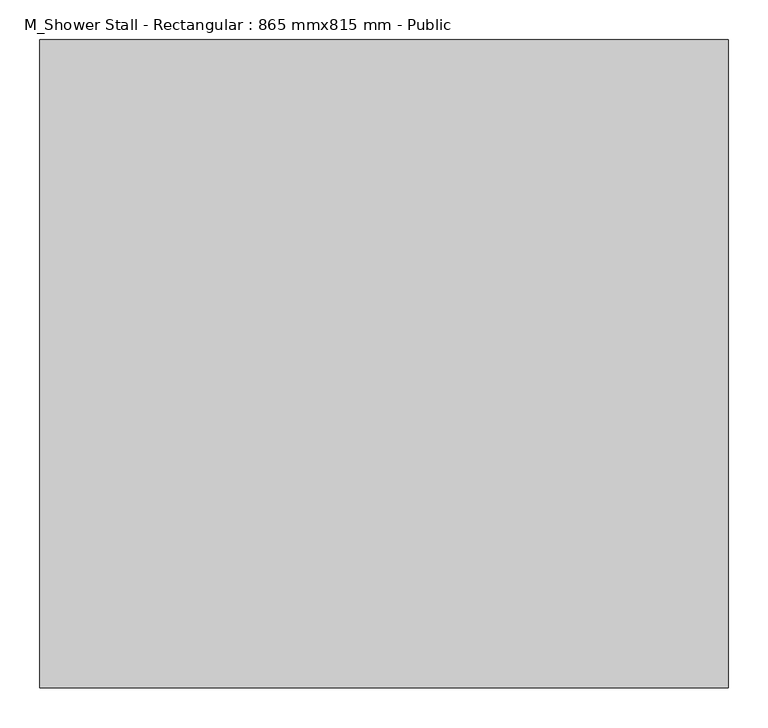
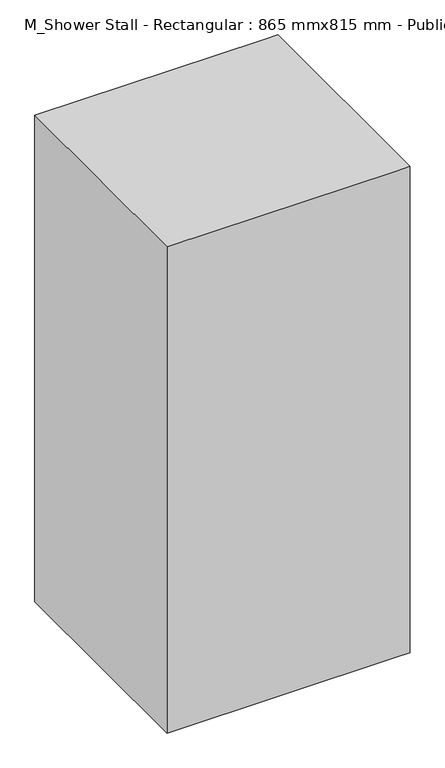
"""IFC4 building model written with IfcOpenShell, lengths in millimetres: flow terminal geometry, M_Shower Stall - Rectangular : 865 mmx815 mm - Public."""

from ifc_helpers import new_model, si_unit, point, frame, frame_2d, origin, origin_with_axes, place, context, project, spatial, polyline, circle_curve, trimmed, segment, composite_curve, outline, extrude, faceted_brep, source, transform, mapped, element, save


def m_shower_stall_rectangular_865_mmx815_mm_public_0e791d57(model_context):
    return source(origin(), model_context, "Body", "SolidModel", [
        extrude(outline(composite_curve([segment(trimmed(circle_curve(frame_2d((432.5, -407.5)), 31.75), [point((400.75, -407.5))], [point((464.25, -407.5))], False, "CARTESIAN"), True, "CONTINUOUS"), segment(trimmed(circle_curve(frame_2d((432.5, -407.5)), 31.75), [point((464.25, -407.5))], [point((400.75, -407.5))], False, "CARTESIAN"), True, "CONTINUOUS")], self_intersect=False)), origin_with_axes(), (0.0, 0.0, 1.0), 101.6),
        faceted_brep([(0.0, -815.0, 1829.0), (814.2, -815.0, 1829.0), (865.0, -815.0, 1829.0), (865.0, 0.0, 1829.0), (814.2, 0.0, 1829.0), (0.0, 0.0, 1829.0), (0.0, 0.0, 0.0), (814.2, 0.0, 0.0), (865.0, 0.0, 0.0), (865.0, -815.0, 0.0), (814.2, -815.0, 0.0), (0.0, -815.0, 0.0), (865.0, -77.5, 1752.8), (865.0, -77.5, 101.6), (865.0, -737.5, 101.6), (865.0, -737.5, 1752.8), (50.8, -764.2, 1752.8), (50.8, -764.2, 101.6), (50.8, -50.8, 101.6), (50.8, -50.8, 1752.8), (814.2, -50.8, 1752.8), (814.2, -77.5, 1752.8), (814.2, -737.5, 1752.8), (814.2, -764.2, 1752.8), (814.2, -50.8, 101.6), (814.2, -764.2, 101.6), (814.2, -737.5, 101.6), (814.2, -77.5, 101.6)], [[[0, 1, 2, 3, 4, 5]], [[6, 7, 8, 9, 10, 11]], [[2, 1, 0, 11, 10, 9]], [[5, 6, 11, 0]], [[5, 4, 3, 8, 7, 6]], [[9, 8, 3, 2], [12, 13, 14, 15]], [[16, 17, 18, 19]], [[19, 20, 21, 12, 15, 22, 23, 16]], [[18, 24, 20, 19]], [[17, 25, 26, 14, 13, 27, 24, 18]], [[16, 23, 25, 17]], [[26, 25, 23, 22]], [[14, 26, 22, 15]], [[12, 21, 27, 13]], [[21, 20, 24, 27]]]),
        extrude(outline(polyline([(852.3, -737.5), (820.55, -737.5), (820.55, -731.15), (845.95, -731.15), (845.95, -83.85), (820.55, -83.85), (820.55, -77.5), (852.3, -77.5), (852.3, -737.5)])), frame((0.0, 0.0, 761.8), z_axis=(0.0, 0.0, 1.0), x_axis=(1.0, 0.0, 0.0)), (0.0, 0.0, 1.0), 76.2),
        extrude(outline(polyline([(820.55, -737.5), (814.2, -737.5), (814.2, -77.5), (820.55, -77.5), (820.55, -737.5)])), frame((0.0, 0.0, 101.6), z_axis=(0.0, 0.0, 1.0), x_axis=(1.0, 0.0, 0.0)), (0.0, 0.0, 1.0), 1651.2),
    ])


if __name__ == "__main__":
    model = new_model("IFC4")
    model_context = context("Model", 3, world=origin())
    ifc_project = project(units=[si_unit("LENGTHUNIT", "METRE", prefix="MILLI")], contexts=[model_context])
    site = spatial("IfcSite", under=ifc_project)
    building = spatial("IfcBuilding", under=site)
    placement = place(None, origin())
    m_shower_stall_rectangular_865_mmx815_mm_public_shape = m_shower_stall_rectangular_865_mmx815_mm_public_0e791d57(model_context)
    element("IfcFlowTerminal", 1, ObjectType="M_Shower Stall - Rectangular : 865 mmx815 mm - Public", at=placement, inside=building, context=model_context, shape_type="MappedRepresentation", body=[
        mapped(m_shower_stall_rectangular_865_mmx815_mm_public_shape, transform((0.0, 0.0, 0.0), x_axis=(1.0, 0.0, 0.0), y_axis=(0.0, 1.0, 0.0), z_axis=(0.0, 0.0, 1.0))),
    ])
    save(model, "model.ifc")
